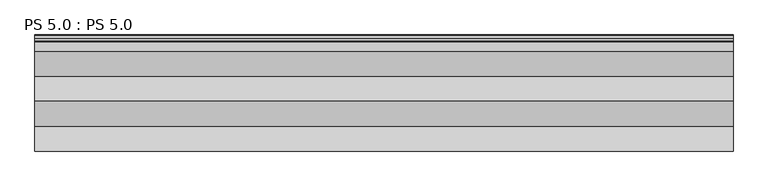
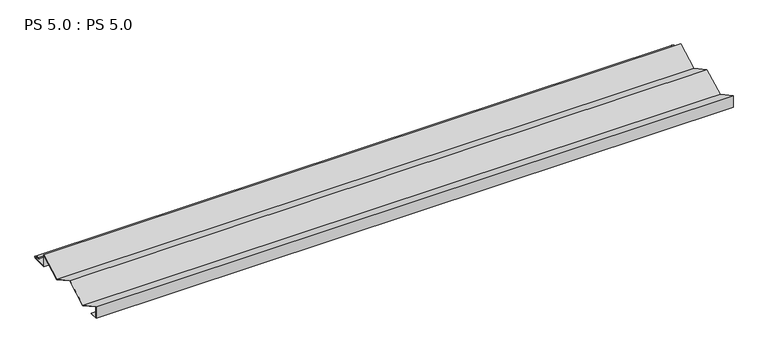
"""IFC4 building model written with IfcOpenShell, lengths in millimetres: proxy geometry, PS 5.0 : PS 5.0."""

from ifc_helpers import new_model, si_unit, point, frame, frame_2d, origin, place, context, project, spatial, polyline, circle_curve, trimmed, segment, composite_curve, outline, extrude, source, transform, mapped, element, save


def ps_5_0_ps_5_0_573809d8(model_context):
    return source(origin(), model_context, "Body", "SweptSolid", [
        extrude(outline(composite_curve([segment(polyline([(25.0, 0.0), (0.0, 0.0), (0.0, 38.0), (70.0, 0.0), (140.0, 38.0), (209.9983223, 0.0), (279.9966446, 38.0), (279.9966446, 0.0), (325.0510156, 0.0)]), True, "CONTINUOUS"), segment(trimmed(circle_curve(frame_2d((324.3094696, 1.9153551)), 2.0538928), [point((325.0510156, 0.0))], [point((325.1748462, 3.778041))], True, "CARTESIAN"), True, "CONTINUOUS"), segment(polyline([(325.1748462, 3.778041), (308.7874714, 6.923107)]), True, "CONTINUOUS"), segment(trimmed(circle_curve(frame_2d((309.4078886, 8.6005442)), 1.7884947), [point((308.7874714, 6.923107))], [point((308.9525789, 10.3301125))], False, "CARTESIAN"), True, "CONTINUOUS"), segment(polyline([(308.9525789, 10.3301125), (316.459338, 11.6715995), (316.635255, 10.6871945), (309.1762081, 9.3542338)]), True, "CONTINUOUS"), segment(trimmed(circle_curve(frame_2d((309.4078886, 8.6005442)), 0.7884947), [point((309.1762081, 9.3542338))], [point((309.0735117, 7.8864603))], True, "CARTESIAN"), True, "CONTINUOUS"), segment(polyline([(309.0735117, 7.8864603), (325.4722719, 4.7392091)]), True, "CONTINUOUS"), segment(trimmed(circle_curve(frame_2d((324.3094696, 1.9153551)), 3.0538928), [point((325.4722719, 4.7392091))], [point((325.2188462, -1.0))], False, "CARTESIAN"), True, "CONTINUOUS"), segment(polyline([(325.2188462, -1.0), (278.9966446, -1.0), (278.9966446, 36.3192775), (209.9983223, -1.1378524), (139.9999943, 36.8621507), (70.0, -1.1378462), (1.0, 36.3192967), (1.0, 1.0), (25.0, 1.0), (25.0, 0.0)]), True, "CONTINUOUS")], self_intersect=False)), frame((0.0, 0.0, 0.0), z_axis=(1.0, 0.0, 0.0), x_axis=(0.0, 1.0, 0.0)), (0.0, 0.0, 1.0), 1968.6),
    ])


if __name__ == "__main__":
    model = new_model("IFC4")
    model_context = context("Model", 3, world=origin())
    ifc_project = project(units=[si_unit("LENGTHUNIT", "METRE", prefix="MILLI")], contexts=[model_context])
    site = spatial("IfcSite", under=ifc_project)
    building = spatial("IfcBuilding", under=site)
    placement = place(None, origin())
    ps_5_0_ps_5_0_shape = ps_5_0_ps_5_0_573809d8(model_context)
    element("IfcBuildingElementProxy", 1, Name="PS 5.0 : PS 5.0", ObjectType="PS 5.0 : PS 5.0", at=placement, inside=building, context=model_context, shape_type="MappedRepresentation", body=[
        mapped(ps_5_0_ps_5_0_shape, transform((0.0, 0.0, 0.0), x_axis=(1.0, 0.0, 0.0), y_axis=(0.0, 1.0, 0.0), z_axis=(0.0, 0.0, 1.0))),
    ])
    save(model, "model.ifc")
